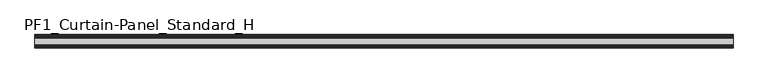
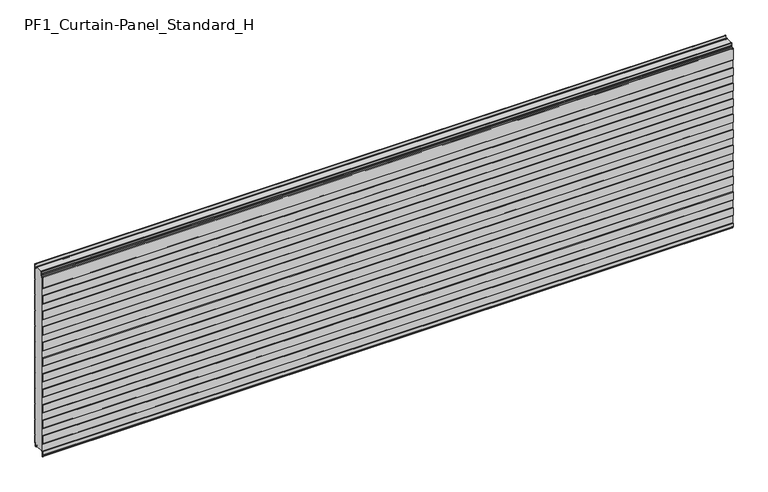
"""IFC4 building model written with IfcOpenShell, lengths in millimetres: plate geometry, PF1_Curtain-Panel_Standard_H."""

from ifc_helpers import new_model, si_unit, point, frame, frame_2d, origin, place, context, project, spatial, polyline, circle_curve, trimmed, segment, composite_curve, outline, extrude, source, transform, mapped, element, save


def pf1_curtain_panel_standard_h_b166a296(model_context):
    return source(origin(), model_context, "Body", "SweptSolid", [
        extrude(outline(composite_curve([segment(polyline([(-15.878557, 0.0), (-20.0, 0.0), (-20.0, 0.8), (-15.878557, 0.8)]), True, "CONTINUOUS"), segment(trimmed(circle_curve(frame_2d((-15.878557, -2.0)), 2.8), [point((-15.878557, 0.8))], [point((-13.1503208, -1.370137))], False, "CARTESIAN"), True, "CONTINUOUS"), segment(polyline([(-13.1503208, -1.370137), (-11.728236, -7.529863)]), True, "CONTINUOUS"), segment(trimmed(circle_curve(frame_2d((-9.0, -6.9)), 2.8), [point((-11.728236, -7.529863))], [point((-6.2, -6.9))], True, "CARTESIAN"), True, "CONTINUOUS"), segment(polyline([(-6.2, -6.9), (-6.2, 8.6)]), True, "CONTINUOUS"), segment(trimmed(circle_curve(frame_2d((-3.4, 8.6)), 2.8), [point((-6.2, 8.6))], [point((-3.4, 11.4))], False, "CARTESIAN"), True, "CONTINUOUS"), segment(polyline([(-3.4, 11.4), (-2.0, 11.4)]), True, "CONTINUOUS"), segment(trimmed(circle_curve(frame_2d((-2.0, 12.6)), 1.2), [point((-2.0, 11.4))], [point((-0.8, 12.6))], True, "CARTESIAN"), True, "CONTINUOUS"), segment(polyline([(-0.8, 12.6), (-0.8, 57.6856412), (-2.482606, 60.6), (-0.8, 63.5143588), (-0.8, 157.6856412), (-2.482606, 160.6), (-0.8, 163.5143588), (-0.8, 257.6856412), (-2.482606, 260.6), (-0.8, 263.5143588), (-0.8, 357.6856412), (-2.482606, 360.6), (-0.8, 363.5143588), (-0.8, 457.6856412), (-2.482606, 460.6), (-0.8, 463.5143588), (-0.8, 557.6856412), (-2.482606, 560.6), (-0.8, 563.5143588), (-0.8, 657.6856412), (-2.482606, 660.6), (-0.8, 663.5143588), (-0.8, 757.6856412), (-2.482606, 760.6), (-0.8, 763.5143588), (-0.8, 857.6856412), (-2.482606, 860.6), (-0.8, 863.5143588), (-0.8, 957.6856412), (-2.482606, 960.6), (-0.8, 963.5143588), (-0.8, 1057.6856412), (-2.482606, 1060.6), (-0.8, 1063.5143588), (-0.8, 1158.268846)]), True, "CONTINUOUS"), segment(trimmed(circle_curve(frame_2d((-2.5, 1158.268846)), 1.7), [point((-0.8, 1158.268846))], [point((-4.2, 1158.268846))], True, "CARTESIAN"), True, "CONTINUOUS"), segment(polyline([(-4.2, 1158.268846), (-4.2, 1141.268846)]), True, "CONTINUOUS"), segment(trimmed(circle_curve(frame_2d((-9.0, 1141.268846)), 4.8), [point((-4.2, 1141.268846))], [point((-13.7270771, 1140.4353344))], False, "CARTESIAN"), True, "CONTINUOUS"), segment(polyline([(-13.7270771, 1140.4353344), (-14.8636953, 1146.8814129)]), True, "CONTINUOUS"), segment(trimmed(circle_curve(frame_2d((-16.6363492, 1146.568846)), 1.8), [point((-14.8636953, 1146.8814129))], [point((-16.6363492, 1148.368846))], True, "CARTESIAN"), True, "CONTINUOUS"), segment(polyline([(-16.6363492, 1148.368846), (-20.0, 1148.368846), (-20.0, 1149.168846), (-16.6363492, 1149.168846)]), True, "CONTINUOUS"), segment(trimmed(circle_curve(frame_2d((-16.6363492, 1146.568846)), 2.6), [point((-16.6363492, 1149.168846))], [point((-14.0758491, 1147.0203315))], False, "CARTESIAN"), True, "CONTINUOUS"), segment(polyline([(-14.0758491, 1147.0203315), (-12.939231, 1140.574253)]), True, "CONTINUOUS"), segment(trimmed(circle_curve(frame_2d((-9.0, 1141.268846)), 4.0), [point((-12.939231, 1140.574253))], [point((-5.0, 1141.268846))], True, "CARTESIAN"), True, "CONTINUOUS"), segment(polyline([(-5.0, 1141.268846), (-5.0, 1158.268846)]), True, "CONTINUOUS"), segment(trimmed(circle_curve(frame_2d((-2.5, 1158.268846)), 2.5), [point((-5.0, 1158.268846))], [point((0.0, 1158.268846))], False, "CARTESIAN"), True, "CONTINUOUS"), segment(polyline([(0.0, 1158.268846), (0.0, 1063.2999995), (-1.5588455, 1060.6), (0.0, 1057.9000005), (0.0, 963.2999995), (-1.5588455, 960.6), (0.0, 957.9000005), (0.0, 863.2999995), (-1.5588455, 860.6), (0.0, 857.9000005), (0.0, 763.2999995), (-1.5588455, 760.6), (0.0, 757.9000005), (0.0, 663.2999995), (-1.5588455, 660.6), (0.0, 657.9000005), (0.0, 563.2999995), (-1.5588455, 560.6), (0.0, 557.9000005), (0.0, 463.2999995), (-1.5588455, 460.6), (0.0, 457.9000005), (0.0, 363.2999995), (-1.5588455, 360.6), (0.0, 357.9000005), (0.0, 263.2999995), (-1.5588455, 260.6), (0.0, 257.9000005), (0.0, 163.2999995), (-1.5588455, 160.6), (0.0, 157.9000005), (0.0, 63.2999995), (-1.5588455, 60.6), (0.0, 57.9000005), (0.0, 12.6)]), True, "CONTINUOUS"), segment(trimmed(circle_curve(frame_2d((-2.0, 12.6)), 2.0), [point((0.0, 12.6))], [point((-2.0, 10.6))], False, "CARTESIAN"), True, "CONTINUOUS"), segment(polyline([(-2.0, 10.6), (-3.4, 10.6)]), True, "CONTINUOUS"), segment(trimmed(circle_curve(frame_2d((-3.4, 8.6)), 2.0), [point((-3.4, 10.6))], [point((-5.4, 8.6))], True, "CARTESIAN"), True, "CONTINUOUS"), segment(polyline([(-5.4, 8.6), (-5.4, -6.9)]), True, "CONTINUOUS"), segment(trimmed(circle_curve(frame_2d((-9.0, -6.9)), 3.6), [point((-5.4, -6.9))], [point((-12.5077322, -7.7098239))], False, "CARTESIAN"), True, "CONTINUOUS"), segment(polyline([(-12.5077322, -7.7098239), (-13.929817, -1.5500979)]), True, "CONTINUOUS"), segment(trimmed(circle_curve(frame_2d((-15.878557, -2.0)), 2.0), [point((-13.929817, -1.5500979))], [point((-15.878557, 0.0))], True, "CARTESIAN"), True, "CONTINUOUS")], self_intersect=False)), frame((-2100.0, 0.0, 0.0), z_axis=(1.0, 0.0, 0.0), x_axis=(0.0, 1.0, 0.0)), (0.0, 0.0, 1.0), 4200.0),
        extrude(outline(composite_curve([segment(polyline([(-70.0, 0.0), (-73.5, 0.0)]), True, "CONTINUOUS"), segment(trimmed(circle_curve(frame_2d((-73.5, -2.0)), 2.0), [point((-73.5, 0.0))], [point((-75.5, -2.0))], True, "CARTESIAN"), True, "CONTINUOUS"), segment(polyline([(-75.5, -2.0), (-75.5, -33.0)]), True, "CONTINUOUS"), segment(trimmed(circle_curve(frame_2d((-76.5, -33.0)), 1.0), [point((-75.5, -33.0))], [point((-77.5, -33.0))], False, "CARTESIAN"), True, "CONTINUOUS"), segment(polyline([(-77.5, -33.0), (-77.5, -26.9)]), True, "CONTINUOUS"), segment(trimmed(circle_curve(frame_2d((-78.4, -26.9)), 0.9), [point((-77.5, -26.9))], [point((-78.4, -26.0))], True, "CARTESIAN"), True, "CONTINUOUS"), segment(trimmed(circle_curve(frame_2d((-78.4, -24.4)), 1.6), [point((-78.4, -26.0))], [point((-80.0, -24.4))], False, "CARTESIAN"), True, "CONTINUOUS"), segment(polyline([(-80.0, -24.4), (-80.0, -0.9952559), (-78.5, 1.6028217), (-78.5, 46.4028193), (-80.0, 49.0008969), (-80.0, 99.0047441), (-78.5, 101.6028217), (-78.5, 146.4028193), (-80.0, 149.0008969), (-80.0, 199.0047441), (-78.5, 201.6028217), (-78.5, 246.4028193), (-80.0, 249.0008969), (-80.0, 299.0047441), (-78.5, 301.6028217), (-78.5, 346.4028193), (-80.0, 349.0008969), (-80.0, 399.0047441), (-78.5, 401.6028217), (-78.5, 446.4028193), (-80.0, 449.0008969), (-80.0, 499.0047441), (-78.5, 501.6028217), (-78.5, 546.4028193), (-80.0, 549.0008969), (-80.0, 599.0047441), (-78.5, 601.6028217), (-78.5, 646.4028193), (-80.0, 649.0008969), (-80.0, 699.0047441), (-78.5, 701.6028217), (-78.5, 746.4028193), (-80.0, 749.0008969), (-80.0, 799.0047441), (-78.5, 801.6028217), (-78.5, 846.4028193), (-80.0, 849.0008969), (-80.0, 899.0047441), (-78.5, 901.6028217), (-78.5, 946.4028193), (-80.0, 949.0008969), (-80.0, 999.0047441), (-78.5, 1001.6028217), (-78.5, 1046.4028193), (-80.0, 1049.0008969), (-80.0, 1123.168846)]), True, "CONTINUOUS"), segment(trimmed(circle_curve(frame_2d((-79.0, 1123.168846)), 1.0), [point((-80.0, 1123.168846))], [point((-78.0, 1123.168846))], False, "CARTESIAN"), True, "CONTINUOUS"), segment(polyline([(-78.0, 1123.168846), (-78.0, 1117.168846)]), True, "CONTINUOUS"), segment(trimmed(circle_curve(frame_2d((-76.5, 1117.168846)), 1.5), [point((-78.0, 1117.168846))], [point((-75.0, 1117.168846))], True, "CARTESIAN"), True, "CONTINUOUS"), segment(polyline([(-75.0, 1117.168846), (-75.0, 1117.9964664)]), True, "CONTINUOUS"), segment(trimmed(circle_curve(frame_2d((-68.8276204, 1117.9964664)), 6.1723796), [point((-75.0, 1117.9964664))], [point((-68.8276204, 1124.168846))], False, "CARTESIAN"), True, "CONTINUOUS"), segment(polyline([(-68.8276204, 1124.168846), (-68.0, 1124.168846)]), True, "CONTINUOUS"), segment(trimmed(circle_curve(frame_2d((-68.0, 1125.168846)), 1.0), [point((-68.0, 1124.168846))], [point((-67.0, 1125.168846))], True, "CARTESIAN"), True, "CONTINUOUS"), segment(polyline([(-67.0, 1125.168846), (-67.0, 1131.6688472), (-65.4999999, 1133.168846), (-67.0, 1134.6688448), (-67.0, 1146.568846)]), True, "CONTINUOUS"), segment(trimmed(circle_curve(frame_2d((-64.4, 1146.568846)), 2.6), [point((-67.0, 1146.568846))], [point((-64.4, 1149.168846))], False, "CARTESIAN"), True, "CONTINUOUS"), segment(polyline([(-64.4, 1149.168846), (-63.0, 1149.168846), (-63.0, 1148.368846), (-64.4, 1148.368846)]), True, "CONTINUOUS"), segment(trimmed(circle_curve(frame_2d((-64.4, 1146.568846)), 1.8), [point((-64.4, 1148.368846))], [point((-66.2, 1146.568846))], True, "CARTESIAN"), True, "CONTINUOUS"), segment(polyline([(-66.2, 1146.568846), (-66.2, 1135.0002158), (-64.3686285, 1133.168846), (-66.2, 1131.3374762), (-66.2, 1125.168846)]), True, "CONTINUOUS"), segment(trimmed(circle_curve(frame_2d((-68.0, 1125.168846)), 1.8), [point((-66.2, 1125.168846))], [point((-68.0, 1123.368846))], False, "CARTESIAN"), True, "CONTINUOUS"), segment(polyline([(-68.0, 1123.368846), (-68.8276204, 1123.368846)]), True, "CONTINUOUS"), segment(trimmed(circle_curve(frame_2d((-68.8276204, 1117.9964664)), 5.3723796), [point((-68.8276204, 1123.368846))], [point((-74.2, 1117.9964664))], True, "CARTESIAN"), True, "CONTINUOUS"), segment(polyline([(-74.2, 1117.9964664), (-74.2, 1117.168846)]), True, "CONTINUOUS"), segment(trimmed(circle_curve(frame_2d((-76.4, 1117.168846)), 2.2), [point((-74.2, 1117.168846))], [point((-78.6, 1117.168846))], False, "CARTESIAN"), True, "CONTINUOUS"), segment(polyline([(-78.6, 1117.168846), (-78.6, 1123.0579973)]), True, "CONTINUOUS"), segment(trimmed(circle_curve(frame_2d((-78.9, 1123.0579973)), 0.3), [point((-78.6, 1123.0579973))], [point((-79.2, 1123.0579973))], True, "CARTESIAN"), True, "CONTINUOUS"), segment(polyline([(-79.2, 1123.0579973), (-79.2, 1049.2152562), (-77.7, 1046.6171786), (-77.7, 1001.3884624), (-79.2, 998.7903848), (-79.2, 949.2152562), (-77.7, 946.6171786), (-77.7, 901.3884624), (-79.2, 898.7903848), (-79.2, 849.2152562), (-77.7, 846.6171786), (-77.7, 801.3884624), (-79.2, 798.7903848), (-79.2, 749.2152562), (-77.7, 746.6171786), (-77.7, 701.3884624), (-79.2, 698.7903848), (-79.2, 649.2152562), (-77.7, 646.6171786), (-77.7, 601.3884624), (-79.2, 598.7903848), (-79.2, 549.2152562), (-77.7, 546.6171786), (-77.7, 501.3884624), (-79.2, 498.7903848), (-79.2, 449.2152562), (-77.7, 446.6171786), (-77.7, 401.3884624), (-79.2, 398.7903848), (-79.2, 349.2152562), (-77.7, 346.6171786), (-77.7, 301.3884624), (-79.2, 298.7903848), (-79.2, 249.2152562), (-77.7, 246.6171786), (-77.7, 201.3884624), (-79.2, 198.7903848), (-79.2, 149.2152562), (-77.7, 146.6171786), (-77.7, 101.3884624), (-79.2, 98.7903848), (-79.2, 49.2152562), (-77.7, 46.6171786), (-77.7, 1.3884624), (-79.2, -1.2096152), (-79.2, -24.4)]), True, "CONTINUOUS"), segment(trimmed(circle_curve(frame_2d((-78.4, -24.4)), 0.8), [point((-79.2, -24.4))], [point((-78.4, -25.2))], True, "CARTESIAN"), True, "CONTINUOUS"), segment(trimmed(circle_curve(frame_2d((-78.6133333, -26.9)), 1.7133333), [point((-78.4, -25.2))], [point((-76.9, -26.9))], False, "CARTESIAN"), True, "CONTINUOUS"), segment(polyline([(-76.9, -26.9), (-76.9, -32.8700312)]), True, "CONTINUOUS"), segment(trimmed(circle_curve(frame_2d((-76.6, -32.8700312)), 0.3), [point((-76.9, -32.8700312))], [point((-76.3, -32.8700312))], True, "CARTESIAN"), True, "CONTINUOUS"), segment(polyline([(-76.3, -32.8700312), (-76.3, -2.0)]), True, "CONTINUOUS"), segment(trimmed(circle_curve(frame_2d((-73.5, -2.0)), 2.8), [point((-76.3, -2.0))], [point((-73.5, 0.8))], False, "CARTESIAN"), True, "CONTINUOUS"), segment(polyline([(-73.5, 0.8), (-70.0, 0.8), (-70.0, 0.0)]), True, "CONTINUOUS")], self_intersect=False)), frame((-2100.0, 0.0, 0.0), z_axis=(1.0, 0.0, 0.0), x_axis=(0.0, 1.0, 0.0)), (0.0, 0.0, 1.0), 4200.0),
        extrude(outline(composite_curve([segment(polyline([(-70.0, 0.8), (-73.5, 0.8)]), True, "CONTINUOUS"), segment(trimmed(circle_curve(frame_2d((-73.5, -2.0)), 2.8), [point((-73.5, 0.8))], [point((-76.3, -2.0))], True, "CARTESIAN"), True, "CONTINUOUS"), segment(polyline([(-76.3, -2.0), (-76.3, -32.8700312)]), True, "CONTINUOUS"), segment(trimmed(circle_curve(frame_2d((-76.6, -32.8700312)), 0.3), [point((-76.3, -32.8700312))], [point((-76.9, -32.8700312))], False, "CARTESIAN"), True, "CONTINUOUS"), segment(polyline([(-76.9, -32.8700312), (-76.9, -26.9)]), True, "CONTINUOUS"), segment(trimmed(circle_curve(frame_2d((-78.6133333, -26.9)), 1.7133333), [point((-76.9, -26.9))], [point((-78.4, -25.2))], True, "CARTESIAN"), True, "CONTINUOUS"), segment(trimmed(circle_curve(frame_2d((-78.4, -24.4)), 0.8), [point((-78.4, -25.2))], [point((-79.2, -24.4))], False, "CARTESIAN"), True, "CONTINUOUS"), segment(polyline([(-79.2, -24.4), (-79.2, -1.2096152), (-77.7, 1.3884624), (-77.7, 46.6171786), (-79.2, 49.2152562), (-79.2, 98.7903848), (-77.7, 101.3884624), (-77.7, 146.6171786), (-79.2, 149.2152562), (-79.2, 198.7903848), (-77.7, 201.3884624), (-77.7, 246.6171786), (-79.2, 249.2152562), (-79.2, 298.7903848), (-77.7, 301.3884624), (-77.7, 346.6171786), (-79.2, 349.2152562), (-79.2, 398.7903848), (-77.7, 401.3884624), (-77.7, 446.6171786), (-79.2, 449.2152562), (-79.2, 498.7903848), (-77.7, 501.3884624), (-77.7, 546.6171786), (-79.2, 549.2152562), (-79.2, 598.7903848), (-77.7, 601.3884624), (-77.7, 646.6171786), (-79.2, 649.2152562), (-79.2, 698.7903848), (-77.7, 701.3884624), (-77.7, 746.6171786), (-79.2, 749.2152562), (-79.2, 798.7903848), (-77.7, 801.3884624), (-77.7, 846.6171786), (-79.2, 849.2152562), (-79.2, 898.7903848), (-77.7, 901.3884624), (-77.7, 946.6171786), (-79.2, 949.2152562), (-79.2, 998.7903848), (-77.7, 1001.3884624), (-77.7, 1046.6171786), (-79.2, 1049.2152562), (-79.2, 1123.0579973)]), True, "CONTINUOUS"), segment(trimmed(circle_curve(frame_2d((-78.9, 1123.0579973)), 0.3), [point((-79.2, 1123.0579973))], [point((-78.6, 1123.0579973))], False, "CARTESIAN"), True, "CONTINUOUS"), segment(polyline([(-78.6, 1123.0579973), (-78.6, 1117.168846)]), True, "CONTINUOUS"), segment(trimmed(circle_curve(frame_2d((-76.4, 1117.168846)), 2.2), [point((-78.6, 1117.168846))], [point((-74.2, 1117.168846))], True, "CARTESIAN"), True, "CONTINUOUS"), segment(polyline([(-74.2, 1117.168846), (-74.2, 1117.9964664)]), True, "CONTINUOUS"), segment(trimmed(circle_curve(frame_2d((-68.8276204, 1117.9964664)), 5.3723796), [point((-74.2, 1117.9964664))], [point((-68.8276204, 1123.368846))], False, "CARTESIAN"), True, "CONTINUOUS"), segment(polyline([(-68.8276204, 1123.368846), (-68.0, 1123.368846)]), True, "CONTINUOUS"), segment(trimmed(circle_curve(frame_2d((-68.0, 1125.168846)), 1.8), [point((-68.0, 1123.368846))], [point((-66.2, 1125.168846))], True, "CARTESIAN"), True, "CONTINUOUS"), segment(polyline([(-66.2, 1125.168846), (-66.2, 1131.3374762), (-64.3686285, 1133.168846), (-66.2, 1135.0002158), (-66.2, 1146.568846)]), True, "CONTINUOUS"), segment(trimmed(circle_curve(frame_2d((-64.4, 1146.568846)), 1.8), [point((-66.2, 1146.568846))], [point((-64.4, 1148.368846))], False, "CARTESIAN"), True, "CONTINUOUS"), segment(polyline([(-64.4, 1148.368846), (-63.0, 1148.368846), (-63.0, 1149.168846), (-20.0, 1149.168846), (-20.0, 1148.368846), (-16.6363492, 1148.368846)]), True, "CONTINUOUS"), segment(trimmed(circle_curve(frame_2d((-16.6363492, 1146.568846)), 1.8), [point((-16.6363492, 1148.368846))], [point((-14.8636953, 1146.8814129))], False, "CARTESIAN"), True, "CONTINUOUS"), segment(polyline([(-14.8636953, 1146.8814129), (-13.7270772, 1140.4353344)]), True, "CONTINUOUS"), segment(trimmed(circle_curve(frame_2d((-9.0, 1141.268846)), 4.8), [point((-13.7270772, 1140.4353344))], [point((-4.2, 1141.268846))], True, "CARTESIAN"), True, "CONTINUOUS"), segment(polyline([(-4.2, 1141.268846), (-4.2, 1158.268846)]), True, "CONTINUOUS"), segment(trimmed(circle_curve(frame_2d((-2.5, 1158.268846)), 1.7), [point((-4.2, 1158.268846))], [point((-0.8, 1158.268846))], False, "CARTESIAN"), True, "CONTINUOUS"), segment(polyline([(-0.8, 1158.268846), (-0.8, 1063.5143588), (-2.482606, 1060.6), (-0.8, 1057.6856412), (-0.8, 963.5143588), (-2.482606, 960.6), (-0.8, 957.6856412), (-0.8, 863.5143588), (-2.482606, 860.6), (-0.8, 857.6856412), (-0.8, 763.5143588), (-2.482606, 760.6), (-0.8, 757.6856412), (-0.8, 663.5143588), (-2.482606, 660.6), (-0.8, 657.6856412), (-0.8, 563.5143588), (-2.482606, 560.6), (-0.8, 557.6856412), (-0.8, 463.5143588), (-2.482606, 460.6), (-0.8, 457.6856412), (-0.8, 363.5143588), (-2.482606, 360.6), (-0.8, 357.6856412), (-0.8, 263.5143588), (-2.482606, 260.6), (-0.8, 257.6856412), (-0.8, 163.5143588), (-2.482606, 160.6), (-0.8, 157.6856412), (-0.8, 63.5143588), (-2.482606, 60.6), (-0.8, 57.6856412), (-0.8, 12.6)]), True, "CONTINUOUS"), segment(trimmed(circle_curve(frame_2d((-2.0, 12.6)), 1.2), [point((-0.8, 12.6))], [point((-2.0, 11.4))], False, "CARTESIAN"), True, "CONTINUOUS"), segment(polyline([(-2.0, 11.4), (-3.4, 11.4)]), True, "CONTINUOUS"), segment(trimmed(circle_curve(frame_2d((-3.4, 8.6)), 2.8), [point((-3.4, 11.4))], [point((-6.2, 8.6))], True, "CARTESIAN"), True, "CONTINUOUS"), segment(polyline([(-6.2, 8.6), (-6.2, -6.9)]), True, "CONTINUOUS"), segment(trimmed(circle_curve(frame_2d((-9.0, -6.9)), 2.8), [point((-6.2, -6.9))], [point((-11.7282362, -7.529863))], False, "CARTESIAN"), True, "CONTINUOUS"), segment(polyline([(-11.7282362, -7.529863), (-13.1503208, -1.370137)]), True, "CONTINUOUS"), segment(trimmed(circle_curve(frame_2d((-15.878557, -2.0)), 2.8), [point((-13.1503208, -1.370137))], [point((-15.878557, 0.8))], True, "CARTESIAN"), True, "CONTINUOUS"), segment(polyline([(-15.878557, 0.8), (-20.0, 0.8), (-20.0, 0.0), (-70.0, 0.0), (-70.0, 0.8)]), True, "CONTINUOUS")], self_intersect=False)), frame((-2100.0, 0.0, 0.0), z_axis=(1.0, 0.0, 0.0), x_axis=(0.0, 1.0, 0.0)), (0.0, 0.0, 1.0), 4200.0),
    ])


if __name__ == "__main__":
    model = new_model("IFC4")
    model_context = context("Model", 3, world=origin())
    ifc_project = project(units=[si_unit("LENGTHUNIT", "METRE", prefix="MILLI")], contexts=[model_context])
    site = spatial("IfcSite", under=ifc_project)
    building = spatial("IfcBuilding", under=site)
    placement = place(None, origin())
    pf1_curtain_panel_standard_h_shape = pf1_curtain_panel_standard_h_b166a296(model_context)
    element("IfcPlate", 1, ObjectType="PF1_Curtain-Panel_Standard_H", at=placement, inside=building, context=model_context, shape_type="MappedRepresentation", body=[
        mapped(pf1_curtain_panel_standard_h_shape, transform((0.0, 0.0, 0.0), x_axis=(1.0, 0.0, 0.0), y_axis=(0.0, 1.0, 0.0), z_axis=(0.0, 0.0, 1.0))),
    ])
    save(model, "model.ifc")
